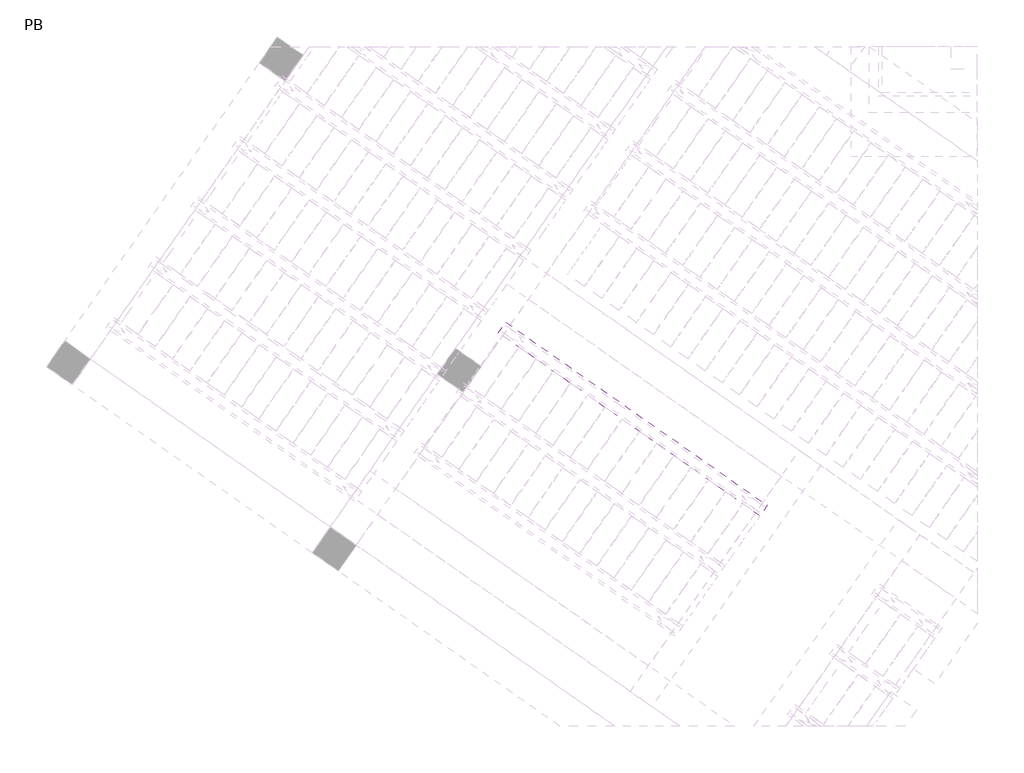
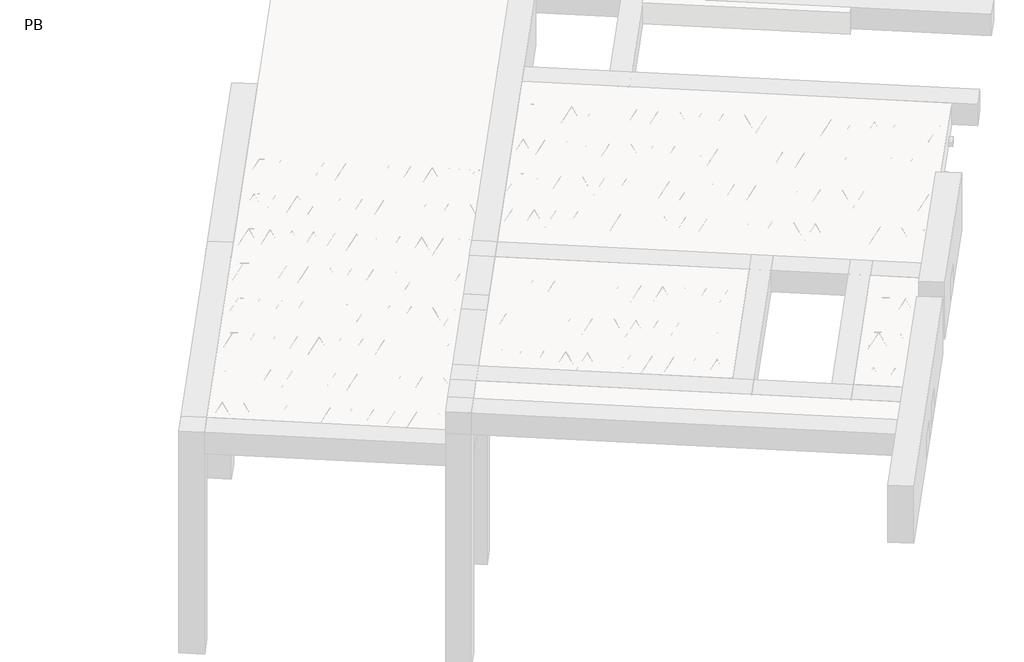
# One storey, part 12 of 56: 2 beams.
"""IFC4 building model written with IfcOpenShell, lengths in millimetres."""

from ifc_helpers import new_model, si_unit, point, frame, origin, origin_2d, place, context, project, spatial, polyline, circle_curve, trimmed, segment, composite_curve, outline, extrude, element, save

model = new_model("IFC4")

# Units and contexts
model_context = context("Model", 3, world=origin())
ifc_project = project(units=[si_unit("LENGTHUNIT", "METRE", prefix="MILLI")], contexts=[model_context])

# Site, building, storey
site = spatial("IfcSite", under=ifc_project)
building = spatial("IfcBuilding", under=site)
storey = spatial("IfcBuildingStorey", under=building, Name="PB", Elevation=95940.0)

# Beams
placement = place(None, origin())
element("IfcBeam", 1, at=placement, inside=storey, context=model_context, shape_type="SweptSolid", body=[
    extrude(outline(polyline([(-813.145101, 3243.211184), (-744.3159287, 3341.5094294), (1618.7280718, 1686.888207), (1549.8988995, 1588.5899617), (-813.145101, 3243.211184)])), frame((0.0, 0.0, 98760.0), z_axis=(0.0, 0.0, 1.0), x_axis=(1.0, 0.0, 0.0)), (0.0, 0.0, 1.0), 50.0),
])
element("IfcBeam", 2, at=placement, inside=storey, context=model_context, shape_type="SweptSolid", body=[
    extrude(outline(polyline([(2516.7363193, 2620.6875364), (2585.5654916, 2718.9857817), (5071.8430533, 978.0754908), (5003.013881, 879.7772455), (2516.7363193, 2620.6875364)])), frame((0.0, 0.0, 99220.0), z_axis=(0.0, 0.0, 1.0), x_axis=(1.0, 0.0, 0.0)), (0.0, 0.0, 1.0), 50.0),
    extrude(outline(composite_curve([segment(trimmed(circle_curve(origin_2d(), 2.5), [point((-2.5, 0.0))], [point((2.5, 0.0))], False, "CARTESIAN"), True, "CONTINUOUS"), segment(trimmed(circle_curve(origin_2d(), 2.5), [point((2.5, 0.0))], [point((-2.5, 0.0))], False, "CARTESIAN"), True, "CONTINUOUS")], self_intersect=False)), frame((4997.1200664, 913.202729, 99245.0), z_axis=(-0.8191520442696126, 0.5735764363787226, 0.0), x_axis=(0.5735764363787226, 0.8191520442696126, 0.0)), (0.0, 0.0, 1.0), 2987.184468),
    extrude(outline(composite_curve([segment(trimmed(circle_curve(origin_2d(), 2.5), [point((-2.5, 0.0))], [point((2.5, 0.0))], False, "CARTESIAN"), True, "CONTINUOUS"), segment(trimmed(circle_curve(origin_2d(), 2.5), [point((2.5, 0.0))], [point((-2.5, 0.0))], False, "CARTESIAN"), True, "CONTINUOUS")], self_intersect=False)), frame((4859.1873437, 1053.7321464, 99470.0), z_axis=(-0.8191520442696126, 0.5735764363787226, 0.0), x_axis=(0.5735764363787226, 0.8191520442696126, 0.0)), (0.0, 0.0, 1.0), 2600.0),
    extrude(outline(composite_curve([segment(trimmed(circle_curve(origin_2d(), 2.5), [point((-2.5, -1e-07))], [point((2.5, 0.0))], False, "CARTESIAN"), True, "CONTINUOUS"), segment(trimmed(circle_curve(origin_2d(), 2.5), [point((2.5, 0.0))], [point((-2.5, -1e-07))], False, "CARTESIAN"), True, "CONTINUOUS")], self_intersect=False)), frame((4899.9749953, 981.2244401, 99245.0), z_axis=(-0.3145304735701046, 0.38933448886848654, 0.8657304643902053), x_axis=(0.7778747638402499, 0.6284193279813057, 0.0)), (0.0, 0.0, 1.0), 259.8961331),
    extrude(outline(composite_curve([segment(trimmed(circle_curve(origin_2d(), 2.5), [point((2.5000001, 0.0))], [point((-2.5, 0.0))], False, "CARTESIAN"), True, "CONTINUOUS"), segment(trimmed(circle_curve(origin_2d(), 2.5), [point((-2.5, 0.0))], [point((2.5000001, 0.0))], False, "CARTESIAN"), True, "CONTINUOUS")], self_intersect=False)), frame((4695.1869842, 1124.6185492, 99245.0), z_axis=(0.47343050384693375, -0.16240172737369005, 0.8657304643902051), x_axis=(-0.3244721671091268, -0.9458952440791246, 0.0)), (0.0, 0.0, 1.0), 259.8961331),
    extrude(outline(composite_curve([segment(trimmed(circle_curve(origin_2d(), 2.5), [point((-2.5, -1e-07))], [point((2.5, 0.0))], False, "CARTESIAN"), True, "CONTINUOUS"), segment(trimmed(circle_curve(origin_2d(), 2.5), [point((2.5, 0.0))], [point((-2.5, -1e-07))], False, "CARTESIAN"), True, "CONTINUOUS")], self_intersect=False)), frame((4695.1869842, 1124.6185492, 99245.0), z_axis=(-0.3145304735701046, 0.38933448886848654, 0.8657304643902053), x_axis=(0.7778747638402499, 0.6284193279813057, 0.0)), (0.0, 0.0, 1.0), 259.8961331),
    extrude(outline(composite_curve([segment(trimmed(circle_curve(origin_2d(), 2.5), [point((2.5000001, 0.0))], [point((-2.5, 1e-07))], False, "CARTESIAN"), True, "CONTINUOUS"), segment(trimmed(circle_curve(origin_2d(), 2.5), [point((-2.5, 1e-07))], [point((2.5000001, 0.0))], False, "CARTESIAN"), True, "CONTINUOUS")], self_intersect=False)), frame((4490.3989731, 1268.0126583, 99245.0), z_axis=(0.47343050384693375, -0.16240172737369005, 0.8657304643902051), x_axis=(-0.3244721671091268, -0.9458952440791246, 0.0)), (0.0, 0.0, 1.0), 259.8961331),
    extrude(outline(composite_curve([segment(trimmed(circle_curve(origin_2d(), 2.5), [point((-2.5, -1e-07))], [point((2.5000001, -1e-07))], False, "CARTESIAN"), True, "CONTINUOUS"), segment(trimmed(circle_curve(origin_2d(), 2.5), [point((2.5000001, -1e-07))], [point((-2.5, -1e-07))], False, "CARTESIAN"), True, "CONTINUOUS")], self_intersect=False)), frame((4490.3989731, 1268.0126583, 99245.0), z_axis=(-0.3145304735701046, 0.38933448886848654, 0.8657304643902053), x_axis=(0.7778747638402499, 0.6284193279813057, 0.0)), (0.0, 0.0, 1.0), 259.8961331),
    extrude(outline(composite_curve([segment(trimmed(circle_curve(origin_2d(), 2.5), [point((2.5, 0.0))], [point((-2.5000001, 0.0))], False, "CARTESIAN"), True, "CONTINUOUS"), segment(trimmed(circle_curve(origin_2d(), 2.5), [point((-2.5000001, 0.0))], [point((2.5, 0.0))], False, "CARTESIAN"), True, "CONTINUOUS")], self_intersect=False)), frame((4285.6109621, 1411.4067673, 99245.0), z_axis=(0.47343050384693375, -0.16240172737369005, 0.8657304643902051), x_axis=(-0.3244721671091268, -0.9458952440791246, 0.0)), (0.0, 0.0, 1.0), 259.8961331),
    extrude(outline(composite_curve([segment(trimmed(circle_curve(origin_2d(), 2.5), [point((-2.5, 0.0))], [point((2.5, 1e-07))], False, "CARTESIAN"), True, "CONTINUOUS"), segment(trimmed(circle_curve(origin_2d(), 2.5), [point((2.5, 1e-07))], [point((-2.5, 0.0))], False, "CARTESIAN"), True, "CONTINUOUS")], self_intersect=False)), frame((4285.6109621, 1411.4067673, 99245.0), z_axis=(-0.3145304735701046, 0.38933448886848654, 0.8657304643902053), x_axis=(0.7778747638402499, 0.6284193279813057, 0.0)), (0.0, 0.0, 1.0), 259.8961331),
    extrude(outline(composite_curve([segment(trimmed(circle_curve(origin_2d(), 2.5), [point((2.5, 0.0))], [point((-2.5000001, 0.0))], False, "CARTESIAN"), True, "CONTINUOUS"), segment(trimmed(circle_curve(origin_2d(), 2.5), [point((-2.5000001, 0.0))], [point((2.5, 0.0))], False, "CARTESIAN"), True, "CONTINUOUS")], self_intersect=False)), frame((4080.822951, 1554.8008764, 99245.0), z_axis=(0.47343050384693375, -0.16240172737369005, 0.8657304643902051), x_axis=(-0.3244721671091268, -0.9458952440791246, 0.0)), (0.0, 0.0, 1.0), 259.8961331),
    extrude(outline(composite_curve([segment(trimmed(circle_curve(origin_2d(), 2.5), [point((-2.5, 0.0))], [point((2.5, 0.0))], False, "CARTESIAN"), True, "CONTINUOUS"), segment(trimmed(circle_curve(origin_2d(), 2.5), [point((2.5, 0.0))], [point((-2.5, 0.0))], False, "CARTESIAN"), True, "CONTINUOUS")], self_intersect=False)), frame((4080.8229512, 1554.8008763, 99245.0), z_axis=(-0.3145304735701046, 0.38933448886848654, 0.8657304643902053), x_axis=(0.7778747638402499, 0.6284193279813057, 0.0)), (0.0, 0.0, 1.0), 259.8961331),
    extrude(outline(composite_curve([segment(trimmed(circle_curve(origin_2d(), 2.5), [point((2.5, 0.0))], [point((-2.5, 0.0))], False, "CARTESIAN"), True, "CONTINUOUS"), segment(trimmed(circle_curve(origin_2d(), 2.5), [point((-2.5, 0.0))], [point((2.5, 0.0))], False, "CARTESIAN"), True, "CONTINUOUS")], self_intersect=False)), frame((3876.0349401, 1698.1949854, 99245.0), z_axis=(0.47343050384693375, -0.16240172737369005, 0.8657304643902051), x_axis=(-0.3244721671091268, -0.9458952440791246, 0.0)), (0.0, 0.0, 1.0), 259.8961331),
    extrude(outline(composite_curve([segment(trimmed(circle_curve(origin_2d(), 2.5), [point((-2.5, 0.0))], [point((2.5, 0.0))], False, "CARTESIAN"), True, "CONTINUOUS"), segment(trimmed(circle_curve(origin_2d(), 2.5), [point((2.5, 0.0))], [point((-2.5, 0.0))], False, "CARTESIAN"), True, "CONTINUOUS")], self_intersect=False)), frame((3876.0349401, 1698.1949854, 99245.0), z_axis=(-0.3145304735701046, 0.38933448886848654, 0.8657304643902053), x_axis=(0.7778747638402499, 0.6284193279813057, 0.0)), (0.0, 0.0, 1.0), 259.8961331),
    extrude(outline(composite_curve([segment(trimmed(circle_curve(origin_2d(), 2.5), [point((2.5, 0.0))], [point((-2.5, 1e-07))], False, "CARTESIAN"), True, "CONTINUOUS"), segment(trimmed(circle_curve(origin_2d(), 2.5), [point((-2.5, 1e-07))], [point((2.5, 0.0))], False, "CARTESIAN"), True, "CONTINUOUS")], self_intersect=False)), frame((3671.246929, 1841.5890945, 99245.0), z_axis=(0.47343050384693375, -0.16240172737369005, 0.8657304643902051), x_axis=(-0.3244721671091268, -0.9458952440791246, 0.0)), (0.0, 0.0, 1.0), 259.8961331),
    extrude(outline(composite_curve([segment(trimmed(circle_curve(origin_2d(), 2.5), [point((-2.5, 0.0))], [point((2.5000001, -1e-07))], False, "CARTESIAN"), True, "CONTINUOUS"), segment(trimmed(circle_curve(origin_2d(), 2.5), [point((2.5000001, -1e-07))], [point((-2.5, 0.0))], False, "CARTESIAN"), True, "CONTINUOUS")], self_intersect=False)), frame((3671.246929, 1841.5890945, 99245.0), z_axis=(-0.3145304735701046, 0.38933448886848654, 0.8657304643902053), x_axis=(0.7778747638402499, 0.6284193279813057, 0.0)), (0.0, 0.0, 1.0), 259.8961331),
    extrude(outline(composite_curve([segment(trimmed(circle_curve(origin_2d(), 2.5), [point((2.5, 0.0))], [point((-2.5, 0.0))], False, "CARTESIAN"), True, "CONTINUOUS"), segment(trimmed(circle_curve(origin_2d(), 2.5), [point((-2.5, 0.0))], [point((2.5, 0.0))], False, "CARTESIAN"), True, "CONTINUOUS")], self_intersect=False)), frame((3466.458918, 1984.9832036, 99245.0), z_axis=(0.47343050384693375, -0.16240172737369005, 0.8657304643902051), x_axis=(-0.3244721671091268, -0.9458952440791246, 0.0)), (0.0, 0.0, 1.0), 259.8961331),
    extrude(outline(composite_curve([segment(trimmed(circle_curve(origin_2d(), 2.5), [point((-2.5, 0.0))], [point((2.5, 0.0))], False, "CARTESIAN"), True, "CONTINUOUS"), segment(trimmed(circle_curve(origin_2d(), 2.5), [point((2.5, 0.0))], [point((-2.5, 0.0))], False, "CARTESIAN"), True, "CONTINUOUS")], self_intersect=False)), frame((3466.458918, 1984.9832036, 99245.0), z_axis=(-0.3145304735701046, 0.38933448886848654, 0.8657304643902053), x_axis=(0.7778747638402499, 0.6284193279813057, 0.0)), (0.0, 0.0, 1.0), 259.8961331),
    extrude(outline(composite_curve([segment(trimmed(circle_curve(origin_2d(), 2.5), [point((2.5, 0.0))], [point((-2.5, 0.0))], False, "CARTESIAN"), True, "CONTINUOUS"), segment(trimmed(circle_curve(origin_2d(), 2.5), [point((-2.5, 0.0))], [point((2.5, 0.0))], False, "CARTESIAN"), True, "CONTINUOUS")], self_intersect=False)), frame((3261.6709069, 2128.3773127, 99245.0), z_axis=(0.47343050384693375, -0.16240172737369005, 0.8657304643902051), x_axis=(-0.3244721671091268, -0.9458952440791246, 0.0)), (0.0, 0.0, 1.0), 259.8961331),
    extrude(outline(composite_curve([segment(trimmed(circle_curve(origin_2d(), 2.5), [point((-2.5, 0.0))], [point((2.5, 0.0))], False, "CARTESIAN"), True, "CONTINUOUS"), segment(trimmed(circle_curve(origin_2d(), 2.5), [point((2.5, 0.0))], [point((-2.5, 0.0))], False, "CARTESIAN"), True, "CONTINUOUS")], self_intersect=False)), frame((3261.6709069, 2128.3773127, 99245.0), z_axis=(-0.3145304735701046, 0.38933448886848654, 0.8657304643902053), x_axis=(0.7778747638402499, 0.6284193279813057, 0.0)), (0.0, 0.0, 1.0), 259.8961331),
    extrude(outline(composite_curve([segment(trimmed(circle_curve(origin_2d(), 2.5), [point((2.5, 0.0))], [point((-2.5, 1e-07))], False, "CARTESIAN"), True, "CONTINUOUS"), segment(trimmed(circle_curve(origin_2d(), 2.5), [point((-2.5, 1e-07))], [point((2.5, 0.0))], False, "CARTESIAN"), True, "CONTINUOUS")], self_intersect=False)), frame((3056.8828958, 2271.7714218, 99245.0), z_axis=(0.47343050384693375, -0.16240172737369005, 0.8657304643902051), x_axis=(-0.3244721671091268, -0.9458952440791246, 0.0)), (0.0, 0.0, 1.0), 259.8961331),
    extrude(outline(composite_curve([segment(trimmed(circle_curve(origin_2d(), 2.5), [point((-2.5, 0.0))], [point((2.5, 0.0))], False, "CARTESIAN"), True, "CONTINUOUS"), segment(trimmed(circle_curve(origin_2d(), 2.5), [point((2.5, 0.0))], [point((-2.5, 0.0))], False, "CARTESIAN"), True, "CONTINUOUS")], self_intersect=False)), frame((3056.8828958, 2271.7714218, 99245.0), z_axis=(-0.3145304735701046, 0.38933448886848654, 0.8657304643902053), x_axis=(0.7778747638402499, 0.6284193279813057, 0.0)), (0.0, 0.0, 1.0), 259.8961331),
    extrude(outline(composite_curve([segment(trimmed(circle_curve(origin_2d(), 2.5), [point((2.5, 0.0))], [point((-2.5, 0.0))], False, "CARTESIAN"), True, "CONTINUOUS"), segment(trimmed(circle_curve(origin_2d(), 2.5), [point((-2.5, 0.0))], [point((2.5, 0.0))], False, "CARTESIAN"), True, "CONTINUOUS")], self_intersect=False)), frame((2852.0948848, 2415.1655309, 99245.0), z_axis=(0.47343050384693375, -0.16240172737369005, 0.8657304643902051), x_axis=(-0.3244721671091268, -0.9458952440791246, 0.0)), (0.0, 0.0, 1.0), 259.8961331),
    extrude(outline(composite_curve([segment(trimmed(circle_curve(origin_2d(), 2.5), [point((-2.5, 0.0))], [point((2.5, 0.0))], False, "CARTESIAN"), True, "CONTINUOUS"), segment(trimmed(circle_curve(origin_2d(), 2.5), [point((2.5, 0.0))], [point((-2.5, 0.0))], False, "CARTESIAN"), True, "CONTINUOUS")], self_intersect=False)), frame((2852.0948848, 2415.1655309, 99245.0), z_axis=(-0.3145304735701046, 0.38933448886848654, 0.8657304643902053), x_axis=(0.7778747638402499, 0.6284193279813057, 0.0)), (0.0, 0.0, 1.0), 259.8961331),
    extrude(outline(composite_curve([segment(trimmed(circle_curve(origin_2d(), 2.5), [point((2.5, 0.0))], [point((-2.5, 0.0))], False, "CARTESIAN"), True, "CONTINUOUS"), segment(trimmed(circle_curve(origin_2d(), 2.5), [point((-2.5, 0.0))], [point((2.5, 0.0))], False, "CARTESIAN"), True, "CONTINUOUS")], self_intersect=False)), frame((2647.3068737, 2558.55964, 99245.0), z_axis=(0.47343050384693375, -0.16240172737369005, 0.8657304643902051), x_axis=(-0.3244721671091268, -0.9458952440791246, 0.0)), (0.0, 0.0, 1.0), 259.8961331),
    extrude(outline(composite_curve([segment(trimmed(circle_curve(origin_2d(), 2.5), [point((-2.5, 0.0))], [point((2.5, 0.0))], False, "CARTESIAN"), True, "CONTINUOUS"), segment(trimmed(circle_curve(origin_2d(), 2.5), [point((2.5, 0.0))], [point((-2.5, 0.0))], False, "CARTESIAN"), True, "CONTINUOUS")], self_intersect=False)), frame((5038.4175698, 972.1816762, 99245.0), z_axis=(-0.8191520442696126, 0.5735764363787226, 0.0), x_axis=(0.5735764363787226, 0.8191520442696126, 0.0)), (0.0, 0.0, 1.0), 2987.184468),
    extrude(outline(composite_curve([segment(trimmed(circle_curve(origin_2d(), 2.5), [point((-2.5, 0.0))], [point((2.5000001, 0.0))], False, "CARTESIAN"), True, "CONTINUOUS"), segment(trimmed(circle_curve(origin_2d(), 2.5), [point((2.5000001, 0.0))], [point((-2.5, 0.0))], False, "CARTESIAN"), True, "CONTINUOUS")], self_intersect=False)), frame((4941.2724987, 1040.2033872, 99245.0), z_axis=(-0.47343050384693375, 0.16240172737369005, 0.8657304643902051), x_axis=(0.3244721671091268, 0.9458952440791246, 0.0)), (0.0, 0.0, 1.0), 259.8961331),
    extrude(outline(composite_curve([segment(trimmed(circle_curve(origin_2d(), 2.5), [point((2.5, 0.0))], [point((-2.5, -1e-07))], False, "CARTESIAN"), True, "CONTINUOUS"), segment(trimmed(circle_curve(origin_2d(), 2.5), [point((-2.5, -1e-07))], [point((2.5, 0.0))], False, "CARTESIAN"), True, "CONTINUOUS")], self_intersect=False)), frame((4736.4844876, 1183.5974963, 99245.0), z_axis=(0.3145304735701046, -0.38933448886848654, 0.8657304643902053), x_axis=(-0.7778747638402499, -0.6284193279813057, 0.0)), (0.0, 0.0, 1.0), 259.8961331),
    extrude(outline(composite_curve([segment(trimmed(circle_curve(origin_2d(), 2.5), [point((-2.5, 0.0))], [point((2.5000001, 0.0))], False, "CARTESIAN"), True, "CONTINUOUS"), segment(trimmed(circle_curve(origin_2d(), 2.5), [point((2.5000001, 0.0))], [point((-2.5, 0.0))], False, "CARTESIAN"), True, "CONTINUOUS")], self_intersect=False)), frame((4736.4844876, 1183.5974963, 99245.0), z_axis=(-0.47343050384693375, 0.16240172737369005, 0.8657304643902051), x_axis=(0.3244721671091268, 0.9458952440791246, 0.0)), (0.0, 0.0, 1.0), 259.8961331),
    extrude(outline(composite_curve([segment(trimmed(circle_curve(origin_2d(), 2.5), [point((2.5, 0.0))], [point((-2.5, -1e-07))], False, "CARTESIAN"), True, "CONTINUOUS"), segment(trimmed(circle_curve(origin_2d(), 2.5), [point((-2.5, -1e-07))], [point((2.5, 0.0))], False, "CARTESIAN"), True, "CONTINUOUS")], self_intersect=False)), frame((4531.6964766, 1326.9916054, 99245.0), z_axis=(0.3145304735701046, -0.38933448886848654, 0.8657304643902053), x_axis=(-0.7778747638402499, -0.6284193279813057, 0.0)), (0.0, 0.0, 1.0), 259.8961331),
    extrude(outline(composite_curve([segment(trimmed(circle_curve(origin_2d(), 2.5), [point((-2.5, 1e-07))], [point((2.5, 0.0))], False, "CARTESIAN"), True, "CONTINUOUS"), segment(trimmed(circle_curve(origin_2d(), 2.5), [point((2.5, 0.0))], [point((-2.5, 1e-07))], False, "CARTESIAN"), True, "CONTINUOUS")], self_intersect=False)), frame((4531.6964766, 1326.9916054, 99245.0), z_axis=(-0.47343050384693375, 0.16240172737369005, 0.8657304643902051), x_axis=(0.3244721671091268, 0.9458952440791246, 0.0)), (0.0, 0.0, 1.0), 259.8961331),
    extrude(outline(composite_curve([segment(trimmed(circle_curve(origin_2d(), 2.5), [point((2.5, 0.0))], [point((-2.5, -1e-07))], False, "CARTESIAN"), True, "CONTINUOUS"), segment(trimmed(circle_curve(origin_2d(), 2.5), [point((-2.5, -1e-07))], [point((2.5, 0.0))], False, "CARTESIAN"), True, "CONTINUOUS")], self_intersect=False)), frame((4326.9084655, 1470.3857145, 99245.0), z_axis=(0.3145304735701046, -0.38933448886848654, 0.8657304643902053), x_axis=(-0.7778747638402499, -0.6284193279813057, 0.0)), (0.0, 0.0, 1.0), 259.8961331),
    extrude(outline(composite_curve([segment(trimmed(circle_curve(origin_2d(), 2.5), [point((-2.5, 0.0))], [point((2.5, 0.0))], False, "CARTESIAN"), True, "CONTINUOUS"), segment(trimmed(circle_curve(origin_2d(), 2.5), [point((2.5, 0.0))], [point((-2.5, 0.0))], False, "CARTESIAN"), True, "CONTINUOUS")], self_intersect=False)), frame((4326.9084655, 1470.3857145, 99245.0), z_axis=(-0.47343050384693375, 0.16240172737369005, 0.8657304643902051), x_axis=(0.3244721671091268, 0.9458952440791246, 0.0)), (0.0, 0.0, 1.0), 259.8961331),
    extrude(outline(composite_curve([segment(trimmed(circle_curve(origin_2d(), 2.5), [point((2.5, 0.0))], [point((-2.5, 0.0))], False, "CARTESIAN"), True, "CONTINUOUS"), segment(trimmed(circle_curve(origin_2d(), 2.5), [point((-2.5, 0.0))], [point((2.5, 0.0))], False, "CARTESIAN"), True, "CONTINUOUS")], self_intersect=False)), frame((4122.1204544, 1613.7798236, 99245.0), z_axis=(0.3145304735701046, -0.38933448886848654, 0.8657304643902053), x_axis=(-0.7778747638402499, -0.6284193279813057, 0.0)), (0.0, 0.0, 1.0), 259.8961331),
    extrude(outline(composite_curve([segment(trimmed(circle_curve(origin_2d(), 2.5), [point((-2.5, 0.0))], [point((2.5, 0.0))], False, "CARTESIAN"), True, "CONTINUOUS"), segment(trimmed(circle_curve(origin_2d(), 2.5), [point((2.5, 0.0))], [point((-2.5, 0.0))], False, "CARTESIAN"), True, "CONTINUOUS")], self_intersect=False)), frame((4122.1204546, 1613.7798235, 99245.0), z_axis=(-0.47343050384693375, 0.16240172737369005, 0.8657304643902051), x_axis=(0.3244721671091268, 0.9458952440791246, 0.0)), (0.0, 0.0, 1.0), 259.8961331),
    extrude(outline(composite_curve([segment(trimmed(circle_curve(origin_2d(), 2.5), [point((2.5, 0.0))], [point((-2.5, 0.0))], False, "CARTESIAN"), True, "CONTINUOUS"), segment(trimmed(circle_curve(origin_2d(), 2.5), [point((-2.5, 0.0))], [point((2.5, 0.0))], False, "CARTESIAN"), True, "CONTINUOUS")], self_intersect=False)), frame((3917.3324435, 1757.1739326, 99245.0), z_axis=(0.3145304735701046, -0.38933448886848654, 0.8657304643902053), x_axis=(-0.7778747638402499, -0.6284193279813057, 0.0)), (0.0, 0.0, 1.0), 259.8961331),
    extrude(outline(composite_curve([segment(trimmed(circle_curve(origin_2d(), 2.5), [point((-2.5, 0.0))], [point((2.5, 0.0))], False, "CARTESIAN"), True, "CONTINUOUS"), segment(trimmed(circle_curve(origin_2d(), 2.5), [point((2.5, 0.0))], [point((-2.5, 0.0))], False, "CARTESIAN"), True, "CONTINUOUS")], self_intersect=False)), frame((3917.3324435, 1757.1739326, 99245.0), z_axis=(-0.47343050384693375, 0.16240172737369005, 0.8657304643902051), x_axis=(0.3244721671091268, 0.9458952440791246, 0.0)), (0.0, 0.0, 1.0), 259.8961331),
    extrude(outline(composite_curve([segment(trimmed(circle_curve(origin_2d(), 2.5), [point((2.5, 0.0))], [point((-2.5, 0.0))], False, "CARTESIAN"), True, "CONTINUOUS"), segment(trimmed(circle_curve(origin_2d(), 2.5), [point((-2.5, 0.0))], [point((2.5, 0.0))], False, "CARTESIAN"), True, "CONTINUOUS")], self_intersect=False)), frame((3712.5444325, 1900.5680417, 99245.0), z_axis=(0.3145304735701046, -0.38933448886848654, 0.8657304643902053), x_axis=(-0.7778747638402499, -0.6284193279813057, 0.0)), (0.0, 0.0, 1.0), 259.8961331),
    extrude(outline(composite_curve([segment(trimmed(circle_curve(origin_2d(), 2.5), [point((-2.5, 1e-07))], [point((2.5, 0.0))], False, "CARTESIAN"), True, "CONTINUOUS"), segment(trimmed(circle_curve(origin_2d(), 2.5), [point((2.5, 0.0))], [point((-2.5, 1e-07))], False, "CARTESIAN"), True, "CONTINUOUS")], self_intersect=False)), frame((3712.5444325, 1900.5680417, 99245.0), z_axis=(-0.47343050384693375, 0.16240172737369005, 0.8657304643902051), x_axis=(0.3244721671091268, 0.9458952440791246, 0.0)), (0.0, 0.0, 1.0), 259.8961331),
    extrude(outline(composite_curve([segment(trimmed(circle_curve(origin_2d(), 2.5), [point((2.5, 0.0))], [point((-2.5, 0.0))], False, "CARTESIAN"), True, "CONTINUOUS"), segment(trimmed(circle_curve(origin_2d(), 2.5), [point((-2.5, 0.0))], [point((2.5, 0.0))], False, "CARTESIAN"), True, "CONTINUOUS")], self_intersect=False)), frame((3507.7564214, 2043.9621508, 99245.0), z_axis=(0.3145304735701046, -0.38933448886848654, 0.8657304643902053), x_axis=(-0.7778747638402499, -0.6284193279813057, 0.0)), (0.0, 0.0, 1.0), 259.8961331),
    extrude(outline(composite_curve([segment(trimmed(circle_curve(origin_2d(), 2.5), [point((-2.5, 0.0))], [point((2.5, 0.0))], False, "CARTESIAN"), True, "CONTINUOUS"), segment(trimmed(circle_curve(origin_2d(), 2.5), [point((2.5, 0.0))], [point((-2.5, 0.0))], False, "CARTESIAN"), True, "CONTINUOUS")], self_intersect=False)), frame((3507.7564214, 2043.9621508, 99245.0), z_axis=(-0.47343050384693375, 0.16240172737369005, 0.8657304643902051), x_axis=(0.3244721671091268, 0.9458952440791246, 0.0)), (0.0, 0.0, 1.0), 259.8961331),
    extrude(outline(composite_curve([segment(trimmed(circle_curve(origin_2d(), 2.5), [point((2.5, 0.0))], [point((-2.5, 0.0))], False, "CARTESIAN"), True, "CONTINUOUS"), segment(trimmed(circle_curve(origin_2d(), 2.5), [point((-2.5, 0.0))], [point((2.5, 0.0))], False, "CARTESIAN"), True, "CONTINUOUS")], self_intersect=False)), frame((3302.9684103, 2187.3562599, 99245.0), z_axis=(0.3145304735701046, -0.38933448886848654, 0.8657304643902053), x_axis=(-0.7778747638402499, -0.6284193279813057, 0.0)), (0.0, 0.0, 1.0), 259.8961331),
    extrude(outline(composite_curve([segment(trimmed(circle_curve(origin_2d(), 2.5), [point((-2.5, 0.0))], [point((2.5, 0.0))], False, "CARTESIAN"), True, "CONTINUOUS"), segment(trimmed(circle_curve(origin_2d(), 2.5), [point((2.5, 0.0))], [point((-2.5, 0.0))], False, "CARTESIAN"), True, "CONTINUOUS")], self_intersect=False)), frame((3302.9684103, 2187.3562599, 99245.0), z_axis=(-0.47343050384693375, 0.16240172737369005, 0.8657304643902051), x_axis=(0.3244721671091268, 0.9458952440791246, 0.0)), (0.0, 0.0, 1.0), 259.8961331),
    extrude(outline(composite_curve([segment(trimmed(circle_curve(origin_2d(), 2.5), [point((2.5000001, -1e-07))], [point((-2.5, 0.0))], False, "CARTESIAN"), True, "CONTINUOUS"), segment(trimmed(circle_curve(origin_2d(), 2.5), [point((-2.5, 0.0))], [point((2.5000001, -1e-07))], False, "CARTESIAN"), True, "CONTINUOUS")], self_intersect=False)), frame((3098.1803993, 2330.750369, 99245.0), z_axis=(0.3145304735701046, -0.38933448886848654, 0.8657304643902053), x_axis=(-0.7778747638402499, -0.6284193279813057, 0.0)), (0.0, 0.0, 1.0), 259.8961331),
    extrude(outline(composite_curve([segment(trimmed(circle_curve(origin_2d(), 2.5), [point((-2.5, 1e-07))], [point((2.5, 0.0))], False, "CARTESIAN"), True, "CONTINUOUS"), segment(trimmed(circle_curve(origin_2d(), 2.5), [point((2.5, 0.0))], [point((-2.5, 1e-07))], False, "CARTESIAN"), True, "CONTINUOUS")], self_intersect=False)), frame((3098.1803993, 2330.750369, 99245.0), z_axis=(-0.47343050384693375, 0.16240172737369005, 0.8657304643902051), x_axis=(0.3244721671091268, 0.9458952440791246, 0.0)), (0.0, 0.0, 1.0), 259.8961331),
    extrude(outline(composite_curve([segment(trimmed(circle_curve(origin_2d(), 2.5), [point((2.5, 0.0))], [point((-2.5, 0.0))], False, "CARTESIAN"), True, "CONTINUOUS"), segment(trimmed(circle_curve(origin_2d(), 2.5), [point((-2.5, 0.0))], [point((2.5, 0.0))], False, "CARTESIAN"), True, "CONTINUOUS")], self_intersect=False)), frame((2893.3923882, 2474.1444781, 99245.0), z_axis=(0.3145304735701046, -0.38933448886848654, 0.8657304643902053), x_axis=(-0.7778747638402499, -0.6284193279813057, 0.0)), (0.0, 0.0, 1.0), 259.8961331),
    extrude(outline(composite_curve([segment(trimmed(circle_curve(origin_2d(), 2.5), [point((-2.5, 0.0))], [point((2.5, 0.0))], False, "CARTESIAN"), True, "CONTINUOUS"), segment(trimmed(circle_curve(origin_2d(), 2.5), [point((2.5, 0.0))], [point((-2.5, 0.0))], False, "CARTESIAN"), True, "CONTINUOUS")], self_intersect=False)), frame((2893.3923882, 2474.1444781, 99245.0), z_axis=(-0.47343050384693375, 0.16240172737369005, 0.8657304643902051), x_axis=(0.3244721671091268, 0.9458952440791246, 0.0)), (0.0, 0.0, 1.0), 259.8961331),
    extrude(outline(composite_curve([segment(trimmed(circle_curve(origin_2d(), 2.5), [point((2.5, 0.0))], [point((-2.5, 0.0))], False, "CARTESIAN"), True, "CONTINUOUS"), segment(trimmed(circle_curve(origin_2d(), 2.5), [point((-2.5, 0.0))], [point((2.5, 0.0))], False, "CARTESIAN"), True, "CONTINUOUS")], self_intersect=False)), frame((2688.6043771, 2617.5385872, 99245.0), z_axis=(0.3145304735701046, -0.38933448886848654, 0.8657304643902053), x_axis=(-0.7778747638402499, -0.6284193279813057, 0.0)), (0.0, 0.0, 1.0), 259.8961331),
])

save(model, "model.ifc")
